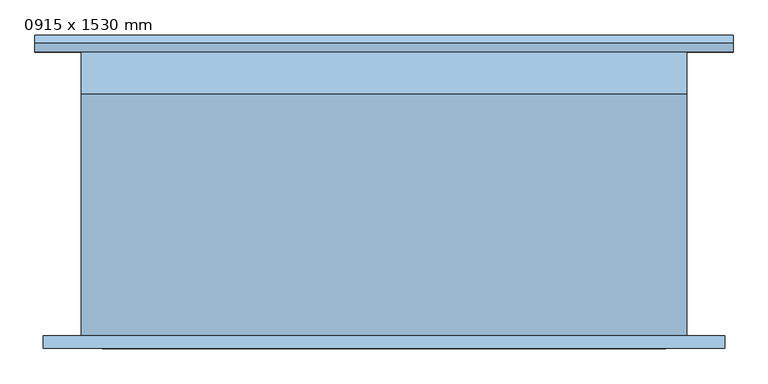
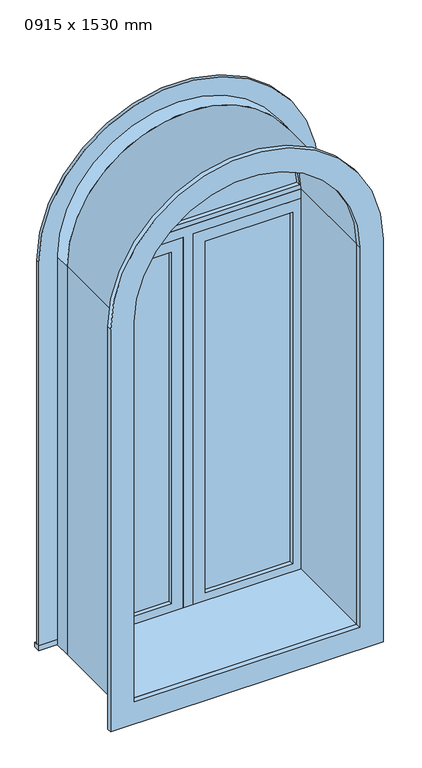
"""IFC4 building model written with IfcOpenShell, lengths in millimetres: window geometry, 0915 x 1530 mm."""

from ifc_helpers import new_model, si_unit, point, frame, frame_2d, origin, place, context, project, spatial, polyline, circle_curve, trimmed, segment, composite_curve, outline, extrude, source, transform, mapped, element, save


def window_0915_x_1530_mm_d75c303e(model_context):
    return source(origin(), model_context, "Body", "SweptSolid", [
        extrude(outline(composite_curve([segment(polyline([(1854.05, -506.7478419), (247.75, -506.7478419), (247.75, 522.7521581), (1854.05, 522.7521581)]), True, "CONTINUOUS"), segment(trimmed(circle_curve(frame_2d((1854.05, 8.0021581)), 514.75), [point((1854.05, 522.7521581))], [point((1854.05, -506.7478419))], False, "CARTESIAN"), True, "CONTINUOUS")], self_intersect=False), holes=[composite_curve([segment(trimmed(circle_curve(frame_2d((1854.05, 8.0021581)), 425.75), [point((1854.05, -417.7478419))], [point((1854.05, 433.7521581))], True, "CARTESIAN"), True, "CONTINUOUS"), segment(polyline([(1854.05, 433.7521581), (336.75, 433.7521581), (336.75, -417.7478419), (1854.05, -417.7478419)]), True, "CONTINUOUS")], self_intersect=False)]), frame((0.0, -233.5, 0.0), z_axis=(0.0, 1.0, 0.0), x_axis=(0.0, 0.0, 1.0)), (0.0, 0.0, 1.0), 19.0),
        extrude(outline(composite_curve([segment(trimmed(circle_curve(frame_2d((1854.05, 8.0021581)), 419.515161), [point((1873.0999995, 427.0845699))], [point((1873.0999995, -411.0802537))], False, "CARTESIAN"), True, "CONTINUOUS"), segment(polyline([(1873.0999995, -411.0802537), (1873.0999995, 427.0845699)]), True, "CONTINUOUS")], self_intersect=False)), frame((0.0, 166.925, 0.0), z_axis=(0.0, 1.0, 0.0), x_axis=(0.0, 0.0, 1.0)), (0.0, 0.0, 1.0), 12.7),
        extrude(outline(composite_curve([segment(trimmed(circle_curve(frame_2d((1854.05, 8.0021581)), 438.45), [point((1854.05, 446.4521581))], [point((1854.05, -430.4478419))], False, "CARTESIAN"), True, "CONTINUOUS"), segment(polyline([(1854.05, -430.4478419), (1854.05, 446.4521581)]), True, "CONTINUOUS")], self_intersect=False), holes=[composite_curve([segment(polyline([(1873.0999995, 427.0845698), (1873.0999995, -411.0802537)]), True, "CONTINUOUS"), segment(trimmed(circle_curve(frame_2d((1854.05, 8.0021581)), 419.515161), [point((1873.0999995, -411.0802537))], [point((1873.0999995, 427.0845698))], True, "CARTESIAN"), True, "CONTINUOUS")], self_intersect=False)]), frame((0.0, 151.05, 0.0), z_axis=(0.0, 1.0, 0.0), x_axis=(0.0, 0.0, 1.0)), (0.0, 0.0, 1.0), 44.45),
        extrude(outline(composite_curve([segment(polyline([(305.0, -449.4978419), (305.0, 465.5021581), (1854.05, 465.5021581)]), True, "CONTINUOUS"), segment(trimmed(circle_curve(frame_2d((1854.05, 8.0021581)), 457.5), [point((1854.05, 465.5021581))], [point((1854.05, -449.4978419))], False, "CARTESIAN"), True, "CONTINUOUS"), segment(polyline([(1854.05, -449.4978419), (305.0, -449.4978419)]), True, "CONTINUOUS")], self_intersect=False), holes=[composite_curve([segment(polyline([(324.05, -430.4478419), (1854.05, -430.4478419)]), True, "CONTINUOUS"), segment(trimmed(circle_curve(frame_2d((1854.05, 8.0021581)), 438.45), [point((1854.05, -430.4478419))], [point((1854.05, 446.4521581))], True, "CARTESIAN"), True, "CONTINUOUS"), segment(polyline([(1854.05, 446.4521581), (324.05, 446.4521581), (324.05, -430.4478419)]), True, "CONTINUOUS")], self_intersect=False)]), frame((0.0, 151.05, 0.0), z_axis=(0.0, 1.0, 0.0), x_axis=(0.0, 0.0, 1.0)), (0.0, 0.0, 1.0), 63.45),
        extrude(outline(polyline([(71.5021581, 179.625), (402.0021581, 179.625), (402.0021581, 166.925), (71.5021581, 166.925), (71.5021581, 179.625)])), frame((0.0, 0.0, 368.5), z_axis=(0.0, 0.0, 1.0), x_axis=(1.0, 0.0, 0.0)), (0.0, 0.0, 1.0), 1403.0),
        extrude(outline(polyline([(1815.95, 27.0521581), (324.05, 27.0521581), (324.05, 446.4521581), (1815.95, 446.4521581), (1815.95, 27.0521581)]), holes=[polyline([(1771.5, 71.5021581), (1771.5, 402.0021581), (368.5, 402.0021581), (368.5, 71.5021581), (1771.5, 71.5021581)])]), frame((0.0, 151.05, 0.0), z_axis=(0.0, 1.0, 0.0), x_axis=(0.0, 0.0, 1.0)), (0.0, 0.0, 1.0), 44.45),
        extrude(outline(polyline([(324.05, -11.0478419), (324.05, 27.0521581), (1815.95, 27.0521581), (1815.95, 446.4521581), (1854.05, 446.4521581), (1854.05, -430.4478419), (1815.95, -430.4478419), (1815.95, -11.0478419), (324.05, -11.0478419)])), frame((0.0, 151.05, 0.0), z_axis=(0.0, 1.0, 0.0), x_axis=(0.0, 0.0, 1.0)), (0.0, 0.0, 1.0), 63.5),
        extrude(outline(polyline([(-519.4478419, 240.2), (535.4521581, 240.2), (535.4521581, 214.5), (-519.4478419, 214.5), (-519.4478419, 240.2)])), frame((0.0, 0.0, 305.0), z_axis=(0.0, 0.0, 1.0), x_axis=(1.0, 0.0, 0.0)), (0.0, 0.0, 1.0), 19.05),
        extrude(outline(composite_curve([segment(polyline([(324.05, 446.4521581), (324.05, 535.4521581), (1854.05, 535.4521581)]), True, "CONTINUOUS"), segment(trimmed(circle_curve(frame_2d((1854.05, 8.0021581)), 527.45), [point((1854.05, 535.4521581))], [point((1854.05, -519.4478419))], False, "CARTESIAN"), True, "CONTINUOUS"), segment(polyline([(1854.05, -519.4478419), (324.05, -519.4478419), (324.05, -430.4478419), (1854.05, -430.4478419)]), True, "CONTINUOUS"), segment(trimmed(circle_curve(frame_2d((1854.05, 8.0021581)), 438.45), [point((1854.05, -430.4478419))], [point((1854.05, 446.4521581))], True, "CARTESIAN"), True, "CONTINUOUS"), segment(polyline([(1854.05, 446.4521581), (324.05, 446.4521581)]), True, "CONTINUOUS")], self_intersect=False)), frame((0.0, 214.5, 0.0), z_axis=(0.0, 1.0, 0.0), x_axis=(0.0, 0.0, 1.0)), (0.0, 0.0, 1.0), 13.0),
        extrude(outline(polyline([(-55.4978419, 166.925), (-385.9978419, 166.925), (-385.9978419, 179.625), (-55.4978419, 179.625), (-55.4978419, 166.925)])), frame((0.0, 0.0, 368.5), z_axis=(0.0, 0.0, 1.0), x_axis=(1.0, 0.0, 0.0)), (0.0, 0.0, 1.0), 1403.0),
        extrude(outline(polyline([(1815.95, -430.4478419), (324.05, -430.4478419), (324.05, -11.0478419), (1815.95, -11.0478419), (1815.95, -430.4478419)]), holes=[polyline([(1771.5, -385.9978419), (1771.5, -55.4978419), (368.5, -55.4978419), (368.5, -385.9978419), (1771.5, -385.9978419)])]), frame((0.0, 151.05, 0.0), z_axis=(0.0, 1.0, 0.0), x_axis=(0.0, 0.0, 1.0)), (0.0, 0.0, 1.0), 44.45),
        extrude(outline(composite_curve([segment(polyline([(305.0, 465.5021581), (1854.05, 465.5021581)]), True, "CONTINUOUS"), segment(trimmed(circle_curve(frame_2d((1854.05, 8.0021581)), 457.5), [point((1854.05, 465.5021581))], [point((1854.05, -449.4978419))], False, "CARTESIAN"), True, "CONTINUOUS"), segment(polyline([(1854.05, -449.4978419), (305.0, -449.4978419), (305.0, 465.5021581)]), True, "CONTINUOUS")], self_intersect=False), holes=[composite_curve([segment(polyline([(336.75, 433.7521581), (336.75, -417.7478419), (1854.05, -417.7478419)]), True, "CONTINUOUS"), segment(trimmed(circle_curve(frame_2d((1854.05, 8.0021581)), 425.75), [point((1854.05, -417.7478419))], [point((1854.05, 433.7521581))], True, "CARTESIAN"), True, "CONTINUOUS"), segment(polyline([(1854.05, 433.7521581), (336.75, 433.7521581)]), True, "CONTINUOUS")], self_intersect=False)]), frame((0.0, -214.5, 0.0), z_axis=(0.0, 1.0, 0.0), x_axis=(0.0, 0.0, 1.0)), (0.0, 0.0, 1.0), 365.55),
    ])


if __name__ == "__main__":
    model = new_model("IFC4")
    model_context = context("Model", 3, world=origin())
    ifc_project = project(units=[si_unit("LENGTHUNIT", "METRE", prefix="MILLI")], contexts=[model_context])
    site = spatial("IfcSite", under=ifc_project)
    building = spatial("IfcBuilding", under=site)
    placement = place(None, origin())
    window_0915_x_1530_mm_shape = window_0915_x_1530_mm_d75c303e(model_context)
    element("IfcWindow", 1, ObjectType="0915 x 1530 mm", at=placement, inside=building, context=model_context, shape_type="MappedRepresentation", body=[
        mapped(window_0915_x_1530_mm_shape, transform((0.0, 0.0, 0.0), x_axis=(1.0, 0.0, 0.0), y_axis=(0.0, 1.0, 0.0), z_axis=(0.0, 0.0, 1.0))),
    ])
    save(model, "model.ifc")
